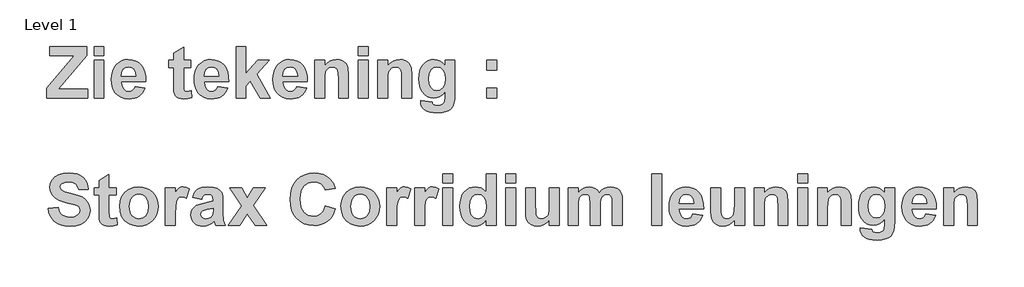
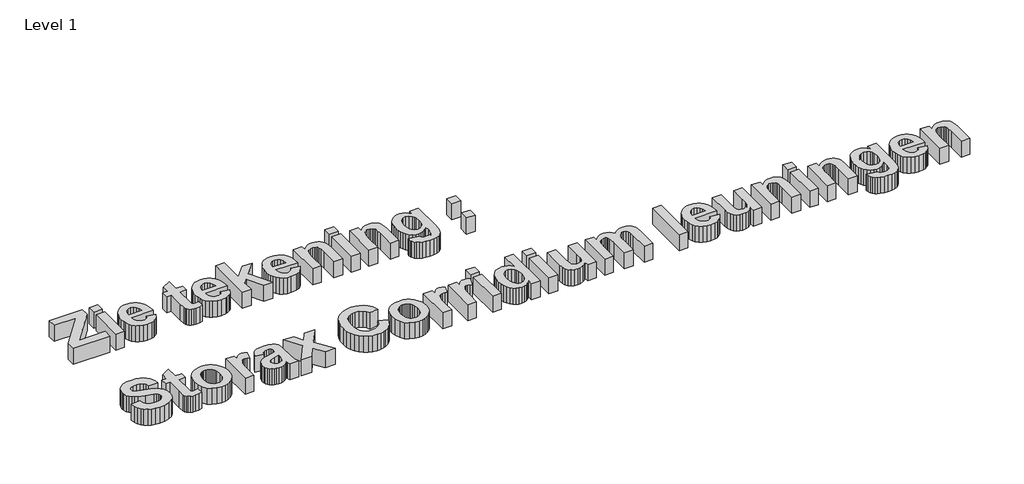
# One storey, part 16 of 20: 1 proxy.
"""IFC4 building model written with IfcOpenShell, lengths in millimetres."""

from ifc_helpers import new_model, si_unit, origin, origin_with_axes, place, context, project, spatial, polyline, outline, extrude, element, save

model = new_model("IFC4")

# Units and contexts
model_context = context("Model", 3, world=origin())
ifc_project = project(units=[si_unit("LENGTHUNIT", "METRE", prefix="MILLI")], contexts=[model_context])

# Site, building, storey
site = spatial("IfcSite", under=ifc_project)
building = spatial("IfcBuilding", under=site)
storey = spatial("IfcBuildingStorey", under=building, Name="Level 1", Elevation=0.0)

# Proxy
placement = place(None, origin())
element("IfcBuildingElementProxy", 1, Name="400mm", ObjectType="400mm", at=placement, inside=storey, context=model_context, shape_type="SweptSolid", body=[
    extrude(outline(polyline([(40439.2387969, -12163.053328), (40439.2387969, -12085.3192785), (40657.9670273, -11826.2057801), (40465.1501467, -11826.2057801), (40465.1501467, -11754.949568), (40756.6528324, -11754.949568), (40756.6528324, -11826.2057801), (40532.4589265, -12091.797116), (40763.1306699, -12091.797116), (40763.1306699, -12163.053328), (40439.2387969, -12163.053328)])), origin_with_axes(), (0.0, 0.0, 1.0), 150.0),
    extrude(outline(polyline([(40814.9533695, -12163.053328), (40814.9533695, -11865.0728049), (40892.6874191, -11865.0728049), (40892.6874191, -12163.053328), (40814.9533695, -12163.053328)])), origin_with_axes(), (0.0, 0.0, 1.0), 150.0),
    extrude(outline(polyline([(40814.9533695, -11826.2057801), (40814.9533695, -11754.949568), (40892.6874191, -11754.949568), (40892.6874191, -11826.2057801), (40814.9533695, -11826.2057801)])), origin_with_axes(), (0.0, 0.0, 1.0), 150.0),
    extrude(outline(polyline([(41138.8452425, -12072.3636036), (41216.5792921, -12085.3192785), (41197.6518607, -12121.5926379), (41184.9998344, -12136.0380889), (41170.2222677, -12148.0227208), (41153.3887468, -12157.4326654), (41134.5688577, -12164.1540543), (41090.9699751, -12169.5311655), (41055.7657119, -12166.3618329), (41025.4577829, -12156.8538351), (41000.0461881, -12141.0071722), (40979.5309275, -12118.8218441), (40967.0433776, -12097.1932052), (40958.123699, -12072.8949887), (40952.7718919, -12045.9271947), (40950.9879562, -12016.2898231), (40953.3538851, -11981.3449265), (40960.4516719, -11950.3980702), (40972.2813164, -11923.4492542), (40988.8428189, -11900.4984785), (41009.0228008, -11882.1656924), (41031.7078839, -11869.0708452), (41056.8980683, -11861.2139369), (41084.5933538, -11858.5949674), (41115.3694078, -11861.283523), (41142.7167626, -11869.3491898), (41166.6354183, -11882.7919677), (41187.1253749, -11901.6118568), (41203.4528148, -11925.9859854), (41214.8839205, -11956.091482), (41221.4186921, -11991.9283465), (41223.0571295, -12033.4965788), (41028.7220057, -12033.4965788), (41033.7069041, -12066.2400229), (41047.0421398, -12090.7849539), (41066.7033886, -12106.1192097), (41090.6663264, -12111.2306284), (41106.9874403, -12108.9279596), (41120.5251085, -12102.0199532), (41131.1781146, -12090.0005282), (41138.8452425, -12072.3636036)]), holes=[polyline([(41145.32308, -11988.1517166), (41140.5912222, -11957.4199448), (41128.015108, -11935.0638143), (41109.7455821, -11921.437582), (41087.9334887, -11916.8955045), (41064.9068009, -11921.6779705), (41046.2324101, -11936.0253683), (41033.9852487, -11958.6724954), (41030.0378164, -11988.1517166), (41145.32308, -11988.1517166)])]), origin_with_axes(), (0.0, 0.0, 1.0), 150.0),
    extrude(outline(polyline([(41579.3381898, -11865.0728049), (41579.3381898, -11923.373342), (41521.0376527, -11923.373342), (41521.0376527, -12051.2094156), (41522.8089364, -12096.4024535), (41530.8556251, -12107.0301556), (41546.1392728, -12111.2306284), (41582.5771085, -12103.7406288), (41585.8160273, -12159.0046796), (41555.830725, -12166.899544), (41522.151031, -12169.5311655), (41501.452316, -12167.7092737), (41482.8791414, -12162.2435983), (41467.7093619, -12153.893261), (41457.2208321, -12143.4173832), (41450.3001737, -12129.829107), (41445.8340084, -12112.1415742), (41443.3036032, -12055.5617127), (41443.3036032, -11923.373342), (41404.4365784, -11923.373342), (41404.4365784, -11865.0728049), (41443.3036032, -11865.0728049), (41443.3036032, -11806.7722677), (41521.0376527, -11761.4274055), (41521.0376527, -11865.0728049), (41579.3381898, -11865.0728049)])), origin_with_axes(), (0.0, 0.0, 1.0), 150.0),
    extrude(outline(polyline([(41793.106826, -12072.3636036), (41870.8408755, -12085.3192785), (41851.9134442, -12121.5926379), (41839.2614179, -12136.0380889), (41824.4838512, -12148.0227208), (41807.6503302, -12157.4326654), (41788.8304411, -12164.1540543), (41745.2315585, -12169.5311655), (41710.0272954, -12166.3618329), (41679.7193664, -12156.8538351), (41654.3077716, -12141.0071722), (41633.792511, -12118.8218441), (41621.304961, -12097.1932052), (41612.3852825, -12072.8949887), (41607.0334754, -12045.9271947), (41605.2495397, -12016.2898231), (41607.6154686, -11981.3449265), (41614.7132553, -11950.3980702), (41626.5428999, -11923.4492542), (41643.1044023, -11900.4984785), (41663.2843842, -11882.1656924), (41685.9694674, -11869.0708452), (41711.1596517, -11861.2139369), (41738.8549373, -11858.5949674), (41769.6309912, -11861.283523), (41796.978346, -11869.3491898), (41820.8970017, -11882.7919677), (41841.3869583, -11901.6118568), (41857.7143982, -11925.9859854), (41869.145504, -11956.091482), (41875.6802756, -11991.9283465), (41877.318713, -12033.4965788), (41682.9835892, -12033.4965788), (41687.9684875, -12066.2400229), (41701.3037232, -12090.7849539), (41720.9649721, -12106.1192097), (41744.9279099, -12111.2306284), (41761.2490238, -12108.9279596), (41774.7866919, -12102.0199532), (41785.4396981, -12090.0005282), (41793.106826, -12072.3636036)]), holes=[polyline([(41799.5846635, -11988.1517166), (41794.8528056, -11957.4199448), (41782.2766915, -11935.0638143), (41764.0071655, -11921.437582), (41742.1950722, -11916.8955045), (41719.1683844, -11921.6779705), (41700.4939936, -11936.0253683), (41688.2468321, -11958.6724954), (41684.2993999, -11988.1517166), (41799.5846635, -11988.1517166)])]), origin_with_axes(), (0.0, 0.0, 1.0), 150.0),
    extrude(outline(polyline([(41935.6192501, -12163.053328), (41935.6192501, -11754.949568), (42013.3532996, -11754.949568), (42013.3532996, -11970.034015), (42107.2819428, -11865.0728049), (42197.9716673, -11865.0728049), (42098.0712677, -11974.5887444), (42204.4495047, -12163.053328), (42126.7154552, -12163.053328), (42048.0704598, -12029.5491466), (42013.3532996, -12067.6064417), (42013.3532996, -12163.053328), (41935.6192501, -12163.053328)])), origin_with_axes(), (0.0, 0.0, 1.0), 150.0),
    extrude(outline(polyline([(42414.9792222, -12072.3636036), (42492.7132717, -12085.3192785), (42473.7858404, -12121.5926379), (42461.1338141, -12136.0380889), (42446.3562474, -12148.0227208), (42429.5227264, -12157.4326654), (42410.7028373, -12164.1540543), (42367.1039547, -12169.5311655), (42331.8996915, -12166.3618329), (42301.5917626, -12156.8538351), (42276.1801678, -12141.0071722), (42255.6649071, -12118.8218441), (42243.1773572, -12097.1932052), (42234.2576787, -12072.8949887), (42228.9058715, -12045.9271947), (42227.1219358, -12016.2898231), (42229.4878647, -11981.3449265), (42236.5856515, -11950.3980702), (42248.4152961, -11923.4492542), (42264.9767985, -11900.4984785), (42285.1567804, -11882.1656924), (42307.8418635, -11869.0708452), (42333.0320479, -11861.2139369), (42360.7273334, -11858.5949674), (42391.5033874, -11861.283523), (42418.8507422, -11869.3491898), (42442.7693979, -11882.7919677), (42463.2593545, -11901.6118568), (42479.5867944, -11925.9859854), (42491.0179002, -11956.091482), (42497.5526717, -11991.9283465), (42499.1911091, -12033.4965788), (42304.8559853, -12033.4965788), (42309.8408837, -12066.2400229), (42323.1761194, -12090.7849539), (42342.8373683, -12106.1192097), (42366.8003061, -12111.2306284), (42383.12142, -12108.9279596), (42396.6590881, -12102.0199532), (42407.3120942, -12090.0005282), (42414.9792222, -12072.3636036)]), holes=[polyline([(42421.4570596, -11988.1517166), (42416.7252018, -11957.4199448), (42404.1490877, -11935.0638143), (42385.8795617, -11921.437582), (42364.0674684, -11916.8955045), (42341.0407805, -11921.6779705), (42322.3663897, -11936.0253683), (42310.1192283, -11958.6724954), (42306.1717961, -11988.1517166), (42421.4570596, -11988.1517166)])]), origin_with_axes(), (0.0, 0.0, 1.0), 150.0),
    extrude(outline(polyline([(42823.0829821, -12163.053328), (42745.3489326, -12163.053328), (42745.3489326, -12009.9132018), (42744.1343381, -11969.8315825), (42740.4905545, -11946.956719), (42734.0886292, -11934.2793887), (42724.5996095, -11924.790369), (42712.4789683, -11918.8692206), (42698.1821786, -11916.8955045), (42679.3686155, -11919.7169064), (42662.6046807, -11928.181112), (42649.3453571, -11941.3139153), (42641.0456279, -11958.1411103), (42636.6806788, -11984.7230175), (42635.2256958, -12027.1199576), (42635.2256958, -12163.053328), (42557.4916463, -12163.053328), (42557.4916463, -11865.0728049), (42635.2256958, -11865.0728049), (42635.2256958, -11907.988478), (42654.8932707, -11886.3788171), (42676.9520785, -11870.9433451), (42701.4021193, -11861.6820618), (42728.2433931, -11858.5949674), (42751.8773782, -11860.9482443), (42773.3858229, -11868.008075), (42791.3517002, -11878.7116892), (42804.3579832, -11891.9963168), (42813.2776618, -11907.5456571), (42818.9837256, -11925.0434095), (42823.0829821, -11978.0300956), (42823.0829821, -12163.053328)])), origin_with_axes(), (0.0, 0.0, 1.0), 150.0),
    extrude(outline(polyline([(42900.8170317, -12163.053328), (42900.8170317, -11865.0728049), (42978.5510812, -11865.0728049), (42978.5510812, -12163.053328), (42900.8170317, -12163.053328)])), origin_with_axes(), (0.0, 0.0, 1.0), 150.0),
    extrude(outline(polyline([(42900.8170317, -11826.2057801), (42900.8170317, -11754.949568), (42978.5510812, -11754.949568), (42978.5510812, -11826.2057801), (42900.8170317, -11826.2057801)])), origin_with_axes(), (0.0, 0.0, 1.0), 150.0),
    extrude(outline(polyline([(43321.8764666, -12163.053328), (43244.1424171, -12163.053328), (43244.1424171, -12009.9132018), (43242.9278225, -11969.8315825), (43239.284039, -11946.956719), (43232.8821137, -11934.2793887), (43223.3930939, -11924.790369), (43211.2724528, -11918.8692206), (43196.975663, -11916.8955045), (43178.1621, -11919.7169064), (43161.3981651, -11928.181112), (43148.1388416, -11941.3139153), (43139.8391123, -11958.1411103), (43135.4741633, -11984.7230175), (43134.0191802, -12027.1199576), (43134.0191802, -12163.053328), (43056.2851307, -12163.053328), (43056.2851307, -11865.0728049), (43134.0191802, -11865.0728049), (43134.0191802, -11907.988478), (43153.6867551, -11886.3788171), (43175.7455629, -11870.9433451), (43200.1956037, -11861.6820618), (43227.0368775, -11858.5949674), (43250.6708626, -11860.9482443), (43272.1793073, -11868.008075), (43290.1451846, -11878.7116892), (43303.1514677, -11891.9963168), (43312.0711462, -11907.5456571), (43317.7772101, -11925.0434095), (43321.8764666, -11978.0300956), (43321.8764666, -12163.053328)])), origin_with_axes(), (0.0, 0.0, 1.0), 150.0),
    extrude(outline(polyline([(43393.1326786, -12182.4868404), (43483.8224031, -12195.4425153), (43487.2890583, -12206.8799471), (43493.4379431, -12214.066298), (43506.9250031, -12219.5319734), (43526.3332114, -12221.3538652), (43551.4854397, -12219.0511964), (43569.451317, -12212.14319), (43577.9028706, -12204.0711973), (43584.0264513, -12192.2035966), (43587.4678024, -12155.9681933), (43587.4678024, -12112.5464391), (43567.4206668, -12134.643203), (43545.7414197, -12150.4266058), (43522.4300613, -12159.8966475), (43497.4865915, -12163.053328), (43470.2404529, -12159.8839954), (43445.9928445, -12150.3759977), (43424.7437663, -12134.5293348), (43406.4932184, -12112.3440067), (43394.9798745, -12091.0759505), (43386.7560574, -12067.3534012), (43381.8217671, -12041.1763588), (43380.1770037, -12012.5448233), (43382.3310112, -11977.3057671), (43388.7930336, -11946.488594), (43399.563071, -11920.0933042), (43414.6411233, -11898.1198975), (43432.9264643, -11880.8277406), (43453.3183677, -11868.4761999), (43475.8168334, -11861.0652755), (43500.4218616, -11858.5949674), (43525.675306, -11861.5239115), (43548.6007777, -11870.3107438), (43569.1982765, -11884.9554642), (43587.4678024, -11905.4580728), (43587.4678024, -11865.0728049), (43665.201852, -11865.0728049), (43665.201852, -12129.7531948), (43663.0889636, -12175.3131415), (43656.7502984, -12207.7402849), (43646.6033733, -12230.8049288), (43633.0657052, -12248.2773771), (43615.2769562, -12261.3722243), (43592.3767886, -12271.304065), (43563.5428207, -12277.566818), (43527.9526708, -12279.6544023), (43493.8364819, -12278.0982031), (43465.0721001, -12273.4296054), (43441.6595255, -12265.6486092), (43423.5987579, -12254.7552146), (43410.137002, -12241.470587), (43400.521462, -12226.5158919), (43394.752138, -12209.8911294), (43392.82903, -12191.5962993), (43393.1326786, -12182.4868404)]), holes=[polyline([(43457.9110532, -12009.6095532), (43462.4025226, -12052.3734021), (43468.0168592, -12068.7830802), (43475.8769306, -12081.8779274), (43495.9556963, -12099.034075), (43520.2602388, -12104.7527909), (43546.3107609, -12098.8822507), (43567.9836819, -12081.2706301), (43576.5079847, -12068.1188488), (43582.5967723, -12052.1456656), (43587.4678024, -12011.7350936), (43582.7992047, -11969.7683224), (43576.9634576, -11953.4440455), (43568.7934116, -11940.225841), (43547.6518757, -11922.7280887), (43521.5760495, -11916.8955045), (43496.284649, -11922.6142204), (43475.8769306, -11939.7703681), (43468.0168592, -11952.713391), (43462.4025226, -11968.6675961), (43457.9110532, -12009.6095532)])]), origin_with_axes(), (0.0, 0.0, 1.0), 150.0),
    extrude(outline(polyline([(43917.8375129, -11942.8068544), (43917.8375129, -11865.0728049), (43995.5715624, -11865.0728049), (43995.5715624, -11942.8068544), (43917.8375129, -11942.8068544)])), origin_with_axes(), (0.0, 0.0, 1.0), 150.0),
    extrude(outline(polyline([(43917.8375129, -12163.053328), (43917.8375129, -12085.3192785), (43995.5715624, -12085.3192785), (43995.5715624, -12163.053328), (43917.8375129, -12163.053328)])), origin_with_axes(), (0.0, 0.0, 1.0), 150.0),
    extrude(outline(polyline([(40452.1944718, -13034.3095401), (40529.9285213, -13027.8317026), (40541.2647368, -13062.5994709), (40560.2933844, -13086.739537), (40587.1409842, -13100.8591984), (40621.9340565, -13105.5657522), (40658.0429395, -13101.4032355), (40683.9795934, -13088.9156856), (40699.6174979, -13070.861244), (40704.8301327, -13049.9980527), (40702.6666362, -13036.7766852), (40696.1761467, -13025.6555541), (40684.27059, -13016.2550986), (40665.8618917, -13008.1957578), (40598.4518957, -12990.8877859), (40540.9104801, -12972.9978207), (40519.693032, -12962.553573), (40503.5110904, -12951.1098152), (40486.7281775, -12933.3906524), (40474.7403826, -12913.8369458), (40467.5477057, -12892.4486953), (40465.1501467, -12869.2259011), (40469.5530518, -12839.1646866), (40482.7617673, -12811.1277964), (40504.270212, -12787.3166829), (40533.5723049, -12769.9327988), (40570.1872689, -12759.3050967), (40613.6343272, -12755.7625293), (40649.5755709, -12757.9703079), (40680.7786307, -12764.5936437), (40707.2435067, -12775.6325366), (40728.9701989, -12791.0869867), (40746.0282933, -12810.2231765), (40758.4873762, -12832.3072884), (40766.3474475, -12857.3393224), (40769.6085073, -12885.3192785), (40691.8744578, -12885.3192785), (40683.2837319, -12858.610851), (40668.4429051, -12840.6323217), (40645.9855584, -12830.4221364), (40614.5452731, -12827.0187414), (40581.4475723, -12830.6372209), (40556.4471684, -12841.4926594), (40546.2749393, -12852.3734021), (40542.8841962, -12866.3918472), (40545.9712906, -12879.6258667), (40555.2325739, -12890.7849539), (40582.1181297, -12903.854497), (40631.3977721, -12917.3542091), (40683.9922454, -12931.3979583), (40720.8222939, -12946.0996128), (40746.6324276, -12963.9010138), (40766.1671562, -12987.2440023), (40778.4649257, -13016.4195749), (40782.5641822, -13051.7187283), (40777.7184562, -13085.4237263), (40763.181278, -13116.9019677), (40739.7750293, -13143.3700067), (40708.322092, -13162.0443975), (40668.4808612, -13173.1275725), (40619.9097323, -13176.8219642), (40583.5857648, -13174.5477625), (40551.7406146, -13167.7251573), (40524.3742818, -13156.3541487), (40501.4867662, -13140.4347366), (40482.9199176, -13120.1567015), (40468.5155857, -13095.7098237), (40458.2737704, -13067.0941032), (40452.1944718, -13034.3095401)])), origin_with_axes(), (0.0, 0.0, 1.0), 150.0),
    extrude(outline(polyline([(40989.854981, -12872.3636036), (40989.854981, -12930.6641407), (40931.5544438, -12930.6641407), (40931.5544438, -13058.5002144), (40933.3257275, -13103.6932523), (40941.3724162, -13114.3209543), (40956.656064, -13118.5214271), (40993.0938997, -13111.0314275), (40996.3328184, -13166.2954783), (40966.3475161, -13174.1903427), (40932.6678221, -13176.8219642), (40911.9691071, -13175.0000724), (40893.3959325, -13169.5343971), (40878.226153, -13161.1840597), (40867.7376232, -13150.708182), (40860.8169648, -13137.1199057), (40856.3507996, -13119.432373), (40853.8203943, -13062.8525114), (40853.8203943, -12930.6641407), (40814.9533695, -12930.6641407), (40814.9533695, -12872.3636036), (40853.8203943, -12872.3636036), (40853.8203943, -12814.0630664), (40931.5544438, -12768.7182042), (40931.5544438, -12872.3636036), (40989.854981, -12872.3636036)])), origin_with_axes(), (0.0, 0.0, 1.0), 150.0),
    extrude(outline(polyline([(41015.7663308, -13017.1027843), (41020.5614488, -12978.5520602), (41034.9468026, -12941.2412347), (41058.1126628, -12908.8900035), (41089.2492995, -12885.2180623), (41126.4209527, -12870.7188402), (41167.6918625, -12865.8857661), (41199.6793479, -12868.6249298), (41228.6366731, -12876.8424209), (41254.563838, -12890.5382394), (41277.4608426, -12909.7123852), (41296.1700264, -12933.0743517), (41309.5337292, -12959.3336323), (41317.5519509, -12988.4902269), (41320.2246914, -13020.5441355), (41317.5234838, -13052.8542476), (41309.419861, -13082.2733718), (41295.9138229, -13108.8015079), (41277.0053696, -13132.438656), (41254.0039858, -13151.8563533), (41228.2191562, -13165.7261372), (41199.6508809, -13174.0480074), (41168.2991597, -13176.8219642), (41128.6603614, -13172.2039746), (41090.919367, -13158.3500058), (41058.5301797, -13135.5637065), (41034.9468026, -13104.1487252), (41020.5614488, -13064.5225789), (41015.7663308, -13017.1027843)]), holes=[polyline([(41093.5003803, -13021.3538652), (41098.8774915, -13062.9157715), (41105.5988805, -13079.5690011), (41115.008825, -13093.470415), (41126.3924857, -13104.4302328), (41139.0350229, -13112.2586741), (41152.9364368, -13116.9557388), (41168.0967273, -13118.5214271), (41183.2506918, -13116.9557388), (41197.1331276, -13112.2586741), (41209.7440349, -13104.4302328), (41221.0834134, -13093.470415), (41230.4490759, -13079.5310451), (41237.1388348, -13062.7639472), (41242.4906419, -13020.7465679), (41237.1388348, -12979.6401345), (41230.4490759, -12963.1007731), (41221.0834134, -12949.2373153), (41209.7440349, -12938.2774975), (41197.1331276, -12930.4490563), (41183.2506918, -12925.7519915), (41168.0967273, -12924.1863033), (41152.9364368, -12925.7519915), (41139.0350229, -12930.4490563), (41126.3924857, -12938.2774975), (41115.008825, -12949.2373153), (41105.5988805, -12963.1387292), (41098.8774915, -12979.7919588), (41093.5003803, -13021.3538652)])]), origin_with_axes(), (0.0, 0.0, 1.0), 150.0),
    extrude(outline(polyline([(41456.2592781, -13170.3441268), (41378.5252286, -13170.3441268), (41378.5252286, -12872.3636036), (41456.2592781, -12872.3636036), (41456.2592781, -12913.8622498), (41472.6816082, -12889.4564911), (41487.3326546, -12875.1470494), (41502.0596132, -12868.2010869), (41518.7096798, -12865.8857661), (41542.9762663, -12869.9850226), (41566.3825149, -12882.2827922), (41543.7100838, -12956.2718419), (41524.9850849, -12946.7828222), (41507.6771129, -12943.6198157), (41492.7350699, -12945.8339203), (41480.298128, -12952.4762341), (41470.3030273, -12964.8878718), (41462.6865074, -12984.4099484), (41457.8660854, -13020.1392706), (41456.2592781, -13081.1726455), (41456.2592781, -13170.3441268)])), origin_with_axes(), (0.0, 0.0, 1.0), 150.0),
    extrude(outline(polyline([(41663.5500768, -12963.053328), (41592.2938647, -12950.0976531), (41607.7419888, -12912.7488715), (41618.5499823, -12898.2496494), (41631.41393, -12886.533873), (41646.9854114, -12877.5003263), (41665.9160057, -12871.0477929), (41713.8545333, -12865.8857661), (41757.2003754, -12869.0108166), (41787.8435831, -12878.3859681), (41808.5422981, -12892.5562375), (41822.0546621, -12910.0666419), (41829.4940536, -12937.2811505), (41831.9738508, -12980.5637324), (41831.9738508, -13072.4680514), (41836.0731073, -13130.3637237), (41851.4073631, -13170.3441268), (41773.6733136, -13170.3441268), (41766.3857465, -13145.6473714), (41763.6529088, -13135.829399), (41743.536187, -13153.7320162), (41722.0530464, -13166.5485189), (41699.1528788, -13174.2536029), (41674.7850761, -13176.8219642), (41653.7922015, -13175.262602), (41635.1462778, -13170.5845153), (41618.8473049, -13162.7877041), (41604.8952829, -13151.8721684), (41593.7140547, -13138.5780517), (41585.7274631, -13123.6454977), (41580.9355081, -13107.0745063), (41579.3381898, -13088.8650774), (41582.1848957, -13065.0286599), (41590.7250135, -13043.9250801), (41604.4018539, -13026.4905878), (41622.6587278, -13013.6614332), (41647.7350439, -13003.8181567), (41681.8702109, -12995.3412991), (41726.0763907, -12985.3461984), (41754.2398012, -12976.009003), (41754.2398012, -12967.8104899), (41751.8232642, -12947.617856), (41744.5736532, -12934.2067081), (41730.6437722, -12926.6914045), (41708.1864255, -12924.1863033), (41692.0677441, -12926.3371477), (41679.9471029, -12932.7896811), (41670.7870358, -12944.6572818), (41663.5500768, -12963.053328)]), holes=[polyline([(41754.2398012, -13034.3095401), (41710.4131822, -13045.0890665), (41671.1412926, -13057.386836), (41660.5895026, -13068.444707), (41657.0722393, -13082.1848076), (41659.8936412, -13095.9628642), (41668.3578468, -13107.7419007), (41681.1743494, -13115.8265455), (41697.0526424, -13118.5214271), (41716.106594, -13115.3837246), (41734.1989916, -13105.970617), (41745.0797342, -13095.393523), (41751.4057474, -13082.6908886), (41754.2398012, -13048.3785933), (41754.2398012, -13034.3095401)])]), origin_with_axes(), (0.0, 0.0, 1.0), 150.0),
    extrude(outline(polyline([(41874.0797943, -13170.3441268), (41979.344653, -13016.9003519), (41887.0354692, -12872.3636036), (41979.4458692, -12872.3636036), (42024.3858666, -12954.2475177), (42073.1720799, -12872.3636036), (42165.58248, -12872.3636036), (42070.5404585, -13013.4590008), (42178.5381549, -13170.3441268), (42086.1277549, -13170.3441268), (42024.3858666, -13078.0349429), (41966.4901943, -13170.3441268), (41874.0797943, -13170.3441268)])), origin_with_axes(), (0.0, 0.0, 1.0), 150.0),
    extrude(outline(polyline([(42641.7035333, -13014.8760277), (42719.4375828, -13040.7873776), (42708.7023385, -13071.5223124), (42694.9179558, -13098.0377965), (42678.0844349, -13120.3338298), (42658.2017755, -13138.4104124), (42635.3522161, -13152.3814124), (42609.6179946, -13162.3606982), (42580.9991111, -13168.3482696), (42549.4955657, -13170.3441268), (42510.5716068, -13166.9344057), (42475.2787795, -13156.7052424), (42443.6170837, -13139.656637), (42415.5865194, -13115.7885894), (42392.6483958, -13086.0057195), (42376.2640217, -13051.2126472), (42366.4333973, -13011.4093725), (42363.1565225, -12966.5958954), (42366.4618644, -12919.3405772), (42376.37789, -12877.6774546), (42392.9045993, -12841.6065277), (42416.0419924, -12811.1277964), (42444.5691486, -12786.905492), (42477.2651476, -12769.6038461), (42514.1299892, -12759.2228585), (42555.1636734, -12755.7625293), (42591.04482, -12758.6155612), (42623.3833992, -12767.174657), (42652.179411, -12781.4398167), (42677.4328555, -12801.4110402), (42701.9524825, -12834.2303964), (42719.4375828, -12878.841441), (42641.7035333, -12891.797116), (42629.7979765, -12864.9115601), (42609.4661703, -12844.3773214), (42582.2769658, -12831.3583864), (42549.7992143, -12827.0187414), (42526.6997773, -12828.9892945), (42505.8840311, -12834.9009537), (42487.3519755, -12844.7537192), (42471.1036108, -12858.5475909), (42457.8854063, -12876.7506937), (42448.4438317, -12899.8311527), (42442.7788869, -12927.7889678), (42440.890572, -12960.624139), (42442.7219528, -12995.3792552), (42448.2160952, -13024.7446082), (42457.3729993, -13048.720198), (42470.1926649, -13067.3060247), (42485.9476006, -13081.2106015), (42503.910315, -13091.1424422), (42524.0808079, -13097.1015466), (42546.4590794, -13099.0879147), (42578.5825741, -13094.0144521), (42605.9236029, -13078.7940645), (42617.516022, -13067.1889934), (42627.3434834, -13052.6676302), (42641.7035333, -13014.8760277)])), origin_with_axes(), (0.0, 0.0, 1.0), 150.0),
    extrude(outline(polyline([(42764.782445, -13017.1027843), (42769.577563, -12978.5520602), (42783.9629169, -12941.2412347), (42807.128777, -12908.8900035), (42838.2654137, -12885.2180623), (42875.4370669, -12870.7188402), (42916.7079767, -12865.8857661), (42948.6954622, -12868.6249298), (42977.6527873, -12876.8424209), (43003.5799522, -12890.5382394), (43026.4769568, -12909.7123852), (43045.1861406, -12933.0743517), (43058.5498434, -12959.3336323), (43066.5680651, -12988.4902269), (43069.2408056, -13020.5441355), (43066.539598, -13052.8542476), (43058.4359752, -13082.2733718), (43044.9299371, -13108.8015079), (43026.0214838, -13132.438656), (43003.0201, -13151.8563533), (42977.2352705, -13165.7261372), (42948.6669951, -13174.0480074), (42917.3152739, -13176.8219642), (42877.6764756, -13172.2039746), (42839.9354812, -13158.3500058), (42807.5462939, -13135.5637065), (42783.9629169, -13104.1487252), (42769.577563, -13064.5225789), (42764.782445, -13017.1027843)]), holes=[polyline([(42842.5164945, -13021.3538652), (42847.8936057, -13062.9157715), (42854.6149947, -13079.5690011), (42864.0249392, -13093.470415), (42875.4085999, -13104.4302328), (42888.0511371, -13112.2586741), (42901.952551, -13116.9557388), (42917.1128415, -13118.5214271), (42932.266806, -13116.9557388), (42946.1492419, -13112.2586741), (42958.7601491, -13104.4302328), (42970.0995276, -13093.470415), (42979.4651901, -13079.5310451), (42986.154949, -13062.7639472), (42991.5067561, -13020.7465679), (42986.154949, -12979.6401345), (42979.4651901, -12963.1007731), (42970.0995276, -12949.2373153), (42958.7601491, -12938.2774975), (42946.1492419, -12930.4490563), (42932.266806, -12925.7519915), (42917.1128415, -12924.1863033), (42901.952551, -12925.7519915), (42888.0511371, -12930.4490563), (42875.4085999, -12938.2774975), (42864.0249392, -12949.2373153), (42854.6149947, -12963.1387292), (42847.8936057, -12979.7919588), (42842.5164945, -13021.3538652)])]), origin_with_axes(), (0.0, 0.0, 1.0), 150.0),
    extrude(outline(polyline([(43205.2753923, -13170.3441268), (43127.5413428, -13170.3441268), (43127.5413428, -12872.3636036), (43205.2753923, -12872.3636036), (43205.2753923, -12913.8622498), (43221.6977224, -12889.4564911), (43236.3487689, -12875.1470494), (43251.0757275, -12868.2010869), (43267.7257941, -12865.8857661), (43291.9923805, -12869.9850226), (43315.3986291, -12882.2827922), (43292.726198, -12956.2718419), (43274.0011991, -12946.7828222), (43256.6932271, -12943.6198157), (43241.7511841, -12945.8339203), (43229.3142422, -12952.4762341), (43219.3191415, -12964.8878718), (43211.7026216, -12984.4099484), (43206.8821996, -13020.1392706), (43205.2753923, -13081.1726455), (43205.2753923, -13170.3441268)])), origin_with_axes(), (0.0, 0.0, 1.0), 150.0),
    extrude(outline(polyline([(43425.5218659, -13170.3441268), (43347.7878164, -13170.3441268), (43347.7878164, -12872.3636036), (43425.5218659, -12872.3636036), (43425.5218659, -12913.8622498), (43441.9441961, -12889.4564911), (43456.5952425, -12875.1470494), (43471.3222011, -12868.2010869), (43487.9722677, -12865.8857661), (43512.2388541, -12869.9850226), (43535.6451028, -12882.2827922), (43512.9726716, -12956.2718419), (43494.2476727, -12946.7828222), (43476.9397008, -12943.6198157), (43461.9976577, -12945.8339203), (43449.5607159, -12952.4762341), (43439.5656151, -12964.8878718), (43431.9490953, -12984.4099484), (43427.1286733, -13020.1392706), (43425.5218659, -13081.1726455), (43425.5218659, -13170.3441268)])), origin_with_axes(), (0.0, 0.0, 1.0), 150.0),
    extrude(outline(polyline([(43568.0342901, -12833.4965788), (43568.0342901, -12762.2403668), (43645.7683396, -12762.2403668), (43645.7683396, -12833.4965788), (43568.0342901, -12833.4965788)])), origin_with_axes(), (0.0, 0.0, 1.0), 150.0),
    extrude(outline(polyline([(43568.0342901, -13170.3441268), (43568.0342901, -12872.3636036), (43645.7683396, -12872.3636036), (43645.7683396, -13170.3441268), (43568.0342901, -13170.3441268)])), origin_with_axes(), (0.0, 0.0, 1.0), 150.0),
    extrude(outline(polyline([(43989.093725, -13170.3441268), (43911.3596754, -13170.3441268), (43911.3596754, -13127.4284536), (43892.394288, -13149.2278949), (43870.3165022, -13164.6254109), (43846.5939529, -13173.7728259), (43822.6942752, -13176.8219642), (43799.1267132, -13174.2409508), (43777.3114569, -13166.4979108), (43757.2485062, -13153.5928439), (43738.9378612, -13135.5257504), (43723.6826805, -13112.8343413), (43712.7861228, -13086.0563276), (43706.2481882, -13055.1917095), (43704.0688767, -13020.2404869), (43706.2450252, -12984.700945), (43712.7734708, -12953.6908286), (43723.6542134, -12927.2101376), (43738.8872531, -12905.2588719), (43757.4477756, -12888.0331381), (43778.310967, -12875.7290426), (43801.4768271, -12868.3465852), (43826.945356, -12865.8857661), (43850.516081, -12868.4351494), (43872.4420426, -12876.0832993), (43892.7232407, -12888.8302158), (43911.3596754, -12906.6758989), (43911.3596754, -12762.2403668), (43989.093725, -12762.2403668), (43989.093725, -13170.3441268)]), holes=[polyline([(43781.8029262, -13015.6857574), (43785.041845, -13057.9941333), (43794.7586012, -13086.739537), (43805.0510245, -13100.6441139), (43817.2032958, -13110.5759546), (43831.2154149, -13116.5350589), (43847.0873819, -13118.5214271), (43871.8853534, -13112.5623227), (43892.6346765, -13094.6850095), (43900.8268635, -13081.2960027), (43906.6784257, -13064.9653998), (43911.3596754, -13023.4794056), (43906.817598, -12978.0459792), (43901.1400012, -12960.8803425), (43893.1913657, -12947.4154235), (43872.4546946, -12929.9935833), (43846.5813008, -12924.1863033), (43821.2772483, -12929.9303232), (43800.4267089, -12947.162383), (43792.278804, -12960.0611238), (43786.4588719, -12975.7812665), (43781.8029262, -13015.6857574)])]), origin_with_axes(), (0.0, 0.0, 1.0), 150.0),
    extrude(outline(polyline([(44066.8277745, -12833.4965788), (44066.8277745, -12762.2403668), (44144.561824, -12762.2403668), (44144.561824, -12833.4965788), (44066.8277745, -12833.4965788)])), origin_with_axes(), (0.0, 0.0, 1.0), 150.0),
    extrude(outline(polyline([(44066.8277745, -13170.3441268), (44066.8277745, -12872.3636036), (44144.561824, -12872.3636036), (44144.561824, -13170.3441268), (44066.8277745, -13170.3441268)])), origin_with_axes(), (0.0, 0.0, 1.0), 150.0),
    extrude(outline(polyline([(44410.1531599, -13170.3441268), (44410.1531599, -13126.6187239), (44392.2505427, -13147.5072193), (44369.5148514, -13163.4108163), (44343.6414577, -13173.4691772), (44316.3257329, -13176.8219642), (44289.3263088, -13173.5324374), (44265.2115467, -13163.6638569), (44245.6768181, -13147.836172), (44232.4174945, -13126.669332), (44224.8262788, -13098.265533), (44222.2958735, -13060.726971), (44222.2958735, -12872.3636036), (44300.029923, -12872.3636036), (44300.029923, -13010.1188658), (44301.0800412, -13061.1191838), (44304.2303958, -13087.5998748), (44310.1768481, -13100.3531173), (44319.6152597, -13110.1710897), (44332.3052421, -13116.4338427), (44348.0064067, -13118.5214271), (44366.6175374, -13115.7379813), (44383.1790398, -13107.3876439), (44396.261235, -13094.900094), (44404.434444, -13079.7050104), (44408.7234809, -13051.1999952), (44410.1531599, -12998.7826503), (44410.1531599, -12872.3636036), (44487.8872094, -12872.3636036), (44487.8872094, -13170.3441268), (44410.1531599, -13170.3441268)])), origin_with_axes(), (0.0, 0.0, 1.0), 150.0),
    extrude(outline(polyline([(44559.1434214, -12872.3636036), (44636.877471, -12872.3636036), (44636.877471, -12912.2427905), (44656.0136607, -12891.9615923), (44676.8831781, -12877.4750222), (44699.4860231, -12868.7830802), (44723.8221956, -12865.8857661), (44748.8605556, -12868.732472), (44770.3310443, -12877.2725898), (44788.2589655, -12891.5820315), (44802.6696235, -12911.7367094), (44822.5712608, -12891.5820315), (44844.0164454, -12877.2725898), (44866.9798731, -12868.732472), (44891.4362399, -12865.8857661), (44920.9660693, -12869.213249), (44945.5869124, -12879.1956978), (44964.9698167, -12895.6306799), (44978.7858294, -12918.3157631), (44984.7069777, -12943.2402549), (44986.6806938, -12979.9564352), (44986.6806938, -13170.3441268), (44908.9466443, -13170.3441268), (44908.9466443, -12998.7826503), (44906.9729282, -12962.06647), (44901.0517799, -12941.1906266), (44887.640632, -12928.4373841), (44868.4601602, -12924.1863033), (44852.9361239, -12926.7293606), (44838.3483376, -12934.3585324), (44826.2023924, -12946.8966905), (44818.0038793, -12964.1667063), (44813.3352816, -12989.496063), (44811.7790824, -13026.2122433), (44811.7790824, -13170.3441268), (44734.0450329, -13170.3441268), (44734.0450329, -13005.867785), (44729.9963844, -12949.3385315), (44724.8470097, -12938.2553565), (44717.4961825, -12930.4111002), (44707.5137337, -12925.7425025), (44694.4694946, -12924.1863033), (44677.8447321, -12926.6534484), (44662.9912532, -12934.0548838), (44650.9971323, -12946.1249169), (44642.9504436, -12962.5978551), (44638.3957141, -12987.4084786), (44636.877471, -13024.4915677), (44636.877471, -13170.3441268), (44559.1434214, -13170.3441268), (44559.1434214, -12872.3636036)])), origin_with_axes(), (0.0, 0.0, 1.0), 150.0),
    extrude(outline(polyline([(45219.8828424, -13170.3441268), (45219.8828424, -12762.2403668), (45297.6168919, -12762.2403668), (45297.6168919, -13170.3441268), (45219.8828424, -13170.3441268)])), origin_with_axes(), (0.0, 0.0, 1.0), 150.0),
    extrude(outline(polyline([(45543.7747154, -13079.6544023), (45621.5087649, -13092.6100772), (45602.5813336, -13128.8834366), (45589.9293073, -13143.3288876), (45575.1517406, -13155.3135195), (45558.3182196, -13164.7234641), (45539.4983305, -13171.444853), (45495.8994479, -13176.8219642), (45460.6951847, -13173.6526316), (45430.3872558, -13164.1446339), (45404.975661, -13148.2979709), (45384.4604003, -13126.1126428), (45371.9728504, -13104.4840039), (45363.0531719, -13080.1857874), (45357.7013647, -13053.2179934), (45355.917429, -13023.5806218), (45358.2833579, -12988.6357252), (45365.3811447, -12957.6888689), (45377.2107893, -12930.7400529), (45393.7722917, -12907.7892772), (45413.9522736, -12889.4564911), (45436.6373567, -12876.3616439), (45461.8275411, -12868.5047356), (45489.5228266, -12865.8857661), (45520.2988806, -12868.5743217), (45547.6462354, -12876.6399885), (45571.5648911, -12890.0827664), (45592.0548477, -12908.9026555), (45608.3822876, -12933.2767842), (45619.8133934, -12963.3822807), (45626.3481649, -12999.2191452), (45627.9866023, -13040.7873776), (45433.6514785, -13040.7873776), (45438.6363769, -13073.5308216), (45451.9716126, -13098.0757526), (45471.6328615, -13113.4100085), (45495.5957993, -13118.5214271), (45511.9169132, -13116.2187583), (45525.4545813, -13109.3107519), (45536.1075874, -13097.291327), (45543.7747154, -13079.6544023)]), holes=[polyline([(45550.2525528, -12995.4425153), (45545.520695, -12964.7107435), (45532.9445809, -12942.354613), (45514.6750549, -12928.7283807), (45492.8629616, -12924.1863033), (45469.8362737, -12928.9687692), (45451.1618829, -12943.316167), (45438.9147215, -12965.9632941), (45434.9672893, -12995.4425153), (45550.2525528, -12995.4425153)])]), origin_with_axes(), (0.0, 0.0, 1.0), 150.0),
    extrude(outline(polyline([(45874.1444258, -13170.3441268), (45874.1444258, -13126.6187239), (45856.2418086, -13147.5072193), (45833.5061174, -13163.4108163), (45807.6327236, -13173.4691772), (45780.3169989, -13176.8219642), (45753.3175748, -13173.5324374), (45729.2028127, -13163.6638569), (45709.6680841, -13147.836172), (45696.4087605, -13126.669332), (45688.8175447, -13098.265533), (45686.2871395, -13060.726971), (45686.2871395, -12872.3636036), (45764.021189, -12872.3636036), (45764.021189, -13010.1188658), (45765.0713072, -13061.1191838), (45768.2216617, -13087.5998748), (45774.1681141, -13100.3531173), (45783.6065257, -13110.1710897), (45796.2965081, -13116.4338427), (45811.9976727, -13118.5214271), (45830.6088034, -13115.7379813), (45847.1703058, -13107.3876439), (45860.252501, -13094.900094), (45868.4257099, -13079.7050104), (45872.7147469, -13051.1999952), (45874.1444258, -12998.7826503), (45874.1444258, -12872.3636036), (45951.8784753, -12872.3636036), (45951.8784753, -13170.3441268), (45874.1444258, -13170.3441268)])), origin_with_axes(), (0.0, 0.0, 1.0), 150.0),
    extrude(outline(polyline([(46295.2038607, -13170.3441268), (46217.4698112, -13170.3441268), (46217.4698112, -13017.2040005), (46216.2552167, -12977.1223813), (46212.6114331, -12954.2475177), (46206.2095078, -12941.5701874), (46196.7204881, -12932.0811677), (46184.5998469, -12926.1600194), (46170.3030572, -12924.1863033), (46151.4894941, -12927.0077051), (46134.7255593, -12935.4719107), (46121.4662357, -12948.604714), (46113.1665065, -12965.431909), (46108.8015574, -12992.0138162), (46107.3465744, -13034.4107563), (46107.3465744, -13170.3441268), (46029.6125249, -13170.3441268), (46029.6125249, -12872.3636036), (46107.3465744, -12872.3636036), (46107.3465744, -12915.2792768), (46127.0141493, -12893.6696159), (46149.0729571, -12878.2341438), (46173.5229979, -12868.9728605), (46200.3642717, -12865.8857661), (46223.9982568, -12868.239043), (46245.5067015, -12875.2988737), (46263.4725788, -12886.0024879), (46276.4788618, -12899.2871155), (46285.3985404, -12914.8364558), (46291.1046042, -12932.3342082), (46295.2038607, -12985.3208943), (46295.2038607, -13170.3441268)])), origin_with_axes(), (0.0, 0.0, 1.0), 150.0),
    extrude(outline(polyline([(46372.9379103, -13170.3441268), (46372.9379103, -12872.3636036), (46450.6719598, -12872.3636036), (46450.6719598, -13170.3441268), (46372.9379103, -13170.3441268)])), origin_with_axes(), (0.0, 0.0, 1.0), 150.0),
    extrude(outline(polyline([(46372.9379103, -12833.4965788), (46372.9379103, -12762.2403668), (46450.6719598, -12762.2403668), (46450.6719598, -12833.4965788), (46372.9379103, -12833.4965788)])), origin_with_axes(), (0.0, 0.0, 1.0), 150.0),
    extrude(outline(polyline([(46793.9973452, -13170.3441268), (46716.2632956, -13170.3441268), (46716.2632956, -13017.2040005), (46715.0487011, -12977.1223813), (46711.4049175, -12954.2475177), (46705.0029922, -12941.5701874), (46695.5139725, -12932.0811677), (46683.3933313, -12926.1600194), (46669.0965416, -12924.1863033), (46650.2829785, -12927.0077051), (46633.5190437, -12935.4719107), (46620.2597202, -12948.604714), (46611.9599909, -12965.431909), (46607.5950418, -12992.0138162), (46606.1400588, -13034.4107563), (46606.1400588, -13170.3441268), (46528.4060093, -13170.3441268), (46528.4060093, -12872.3636036), (46606.1400588, -12872.3636036), (46606.1400588, -12915.2792768), (46625.8076337, -12893.6696159), (46647.8664415, -12878.2341438), (46672.3164823, -12868.9728605), (46699.1577561, -12865.8857661), (46722.7917412, -12868.239043), (46744.3001859, -12875.2988737), (46762.2660632, -12886.0024879), (46775.2723462, -12899.2871155), (46784.1920248, -12914.8364558), (46789.8980886, -12932.3342082), (46793.9973452, -12985.3208943), (46793.9973452, -13170.3441268)])), origin_with_axes(), (0.0, 0.0, 1.0), 150.0),
    extrude(outline(polyline([(46865.2535572, -13189.7776391), (46955.9432817, -13202.7333141), (46959.4099369, -13214.1707458), (46965.5588216, -13221.3570967), (46979.0458817, -13226.8227721), (46998.45409, -13228.6446639), (47023.6063183, -13226.3419951), (47041.5721956, -13219.4339888), (47050.0237491, -13211.361996), (47056.1473299, -13199.4943953), (47059.588681, -13163.258992), (47059.588681, -13119.8372378), (47039.5415454, -13141.9340017), (47017.8622983, -13157.7174045), (46994.5509399, -13167.1874462), (46969.60747, -13170.3441268), (46942.3613314, -13167.1747942), (46918.1137231, -13157.6667964), (46896.8646449, -13141.8201335), (46878.614097, -13119.6348054), (46867.1007531, -13098.3667492), (46858.876936, -13074.6441999), (46853.9426457, -13048.4671575), (46852.2978823, -13019.835622), (46854.4518898, -12984.5965658), (46860.9139122, -12953.7793928), (46871.6839496, -12927.3841029), (46886.7620019, -12905.4106963), (46905.0473429, -12888.1185393), (46925.4392463, -12875.7669987), (46947.937712, -12868.3560743), (46972.5427401, -12865.8857661), (46997.7961846, -12868.8147102), (47020.7216563, -12877.6015425), (47041.3191551, -12892.2462629), (47059.588681, -12912.7488715), (47059.588681, -12872.3636036), (47137.3227305, -12872.3636036), (47137.3227305, -13137.0439936), (47135.2098421, -13182.6039402), (47128.871177, -13215.0310836), (47118.7242519, -13238.0957275), (47105.1865838, -13255.5681758), (47087.3978348, -13268.663023), (47064.4976672, -13278.5948637), (47035.6636993, -13284.8576167), (47000.0735494, -13286.945201), (46965.9573605, -13285.3890018), (46937.1929787, -13280.7204041), (46913.780404, -13272.9394079), (46895.7196365, -13262.0460133), (46882.2578805, -13248.7613857), (46872.6423406, -13233.8066906), (46866.8730166, -13217.1819281), (46864.9499086, -13198.8870981), (46865.2535572, -13189.7776391)]), holes=[polyline([(46930.0319318, -13016.9003519), (46934.5234011, -13059.6642008), (46940.1377378, -13076.0738789), (46947.9978091, -13089.1687261), (46968.0765749, -13106.3248737), (46992.3811174, -13112.0435896), (47018.4316395, -13106.1730494), (47040.1045605, -13088.5614288), (47048.6288632, -13075.4096475), (47054.7176509, -13059.4364643), (47059.588681, -13019.0258923), (47054.9200833, -12977.0591211), (47049.0843362, -12960.7348442), (47040.9142902, -12947.5166397), (47019.7727543, -12930.0188874), (46993.6969281, -12924.1863033), (46968.4055276, -12929.9050192), (46947.9978091, -12947.0611668), (46940.1377378, -12960.0041897), (46934.5234011, -12975.9583948), (46930.0319318, -13016.9003519)])]), origin_with_axes(), (0.0, 0.0, 1.0), 150.0),
    extrude(outline(polyline([(47383.480554, -13079.6544023), (47461.2146035, -13092.6100772), (47442.2871722, -13128.8834366), (47429.6351459, -13143.3288876), (47414.8575792, -13155.3135195), (47398.0240582, -13164.7234641), (47379.2041691, -13171.444853), (47335.6052865, -13176.8219642), (47300.4010234, -13173.6526316), (47270.0930944, -13164.1446339), (47244.6814996, -13148.2979709), (47224.166239, -13126.1126428), (47211.678689, -13104.4840039), (47202.7590105, -13080.1857874), (47197.4072034, -13053.2179934), (47195.6232677, -13023.5806218), (47197.9891966, -12988.6357252), (47205.0869833, -12957.6888689), (47216.9166279, -12930.7400529), (47233.4781303, -12907.7892772), (47253.6581123, -12889.4564911), (47276.3431954, -12876.3616439), (47301.5333797, -12868.5047356), (47329.2286653, -12865.8857661), (47360.0047192, -12868.5743217), (47387.3520741, -12876.6399885), (47411.2707298, -12890.0827664), (47431.7606863, -12908.9026555), (47448.0881263, -12933.2767842), (47459.519232, -12963.3822807), (47466.0540036, -12999.2191452), (47467.692441, -13040.7873776), (47273.3573172, -13040.7873776), (47278.3422156, -13073.5308216), (47291.6774513, -13098.0757526), (47311.3387001, -13113.4100085), (47335.3016379, -13118.5214271), (47351.6227518, -13116.2187583), (47365.16042, -13109.3107519), (47375.8134261, -13097.291327), (47383.480554, -13079.6544023)]), holes=[polyline([(47389.9583915, -12995.4425153), (47385.2265336, -12964.7107435), (47372.6504195, -12942.354613), (47354.3808936, -12928.7283807), (47332.5688002, -12924.1863033), (47309.5421124, -12928.9687692), (47290.8677216, -12943.316167), (47278.6205601, -12965.9632941), (47274.6731279, -12995.4425153), (47389.9583915, -12995.4425153)])]), origin_with_axes(), (0.0, 0.0, 1.0), 150.0),
    extrude(outline(polyline([(47791.584314, -13170.3441268), (47713.8502645, -13170.3441268), (47713.8502645, -13017.2040005), (47712.63567, -12977.1223813), (47708.9918864, -12954.2475177), (47702.5899611, -12941.5701874), (47693.1009414, -12932.0811677), (47680.9803002, -12926.1600194), (47666.6835105, -12924.1863033), (47647.8699474, -12927.0077051), (47631.1060125, -12935.4719107), (47617.846689, -12948.604714), (47609.5469598, -12965.431909), (47605.1820107, -12992.0138162), (47603.7270277, -13034.4107563), (47603.7270277, -13170.3441268), (47525.9929781, -13170.3441268), (47525.9929781, -12872.3636036), (47603.7270277, -12872.3636036), (47603.7270277, -12915.2792768), (47623.3946025, -12893.6696159), (47645.4534104, -12878.2341438), (47669.9034512, -12868.9728605), (47696.7447249, -12865.8857661), (47720.37871, -12868.239043), (47741.8871547, -12875.2988737), (47759.8530321, -12886.0024879), (47772.8593151, -12899.2871155), (47781.7789936, -12914.8364558), (47787.4850575, -12932.3342082), (47791.584314, -12985.3208943), (47791.584314, -13170.3441268)])), origin_with_axes(), (0.0, 0.0, 1.0), 150.0),
])

save(model, "model.ifc")
